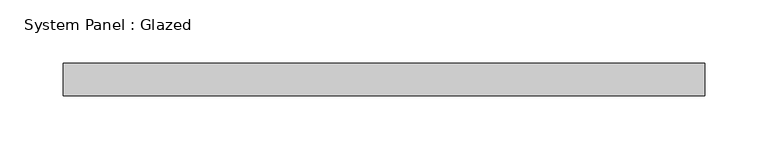
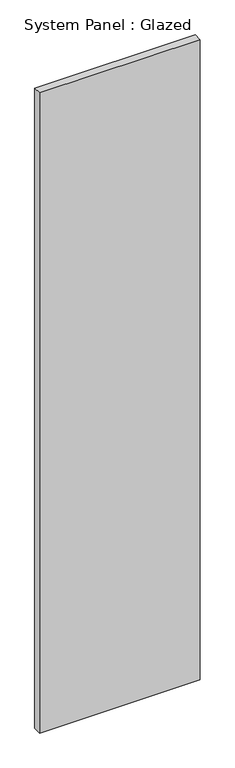
"""IFC4 building model written with IfcOpenShell, lengths in millimetres: plate geometry, System Panel : Glazed."""

from ifc_helpers import new_model, si_unit, origin, origin_with_axes, place, context, project, spatial, polyline, outline, extrude, source, transform, mapped, element, save


def system_panel_glazed_879dddc0(model_context):
    return source(origin(), model_context, "Body", "SweptSolid", [
        extrude(outline(polyline([(252.375, 19.05), (-252.375, 19.05), (-252.375, 44.45), (252.375, 44.45), (252.375, 19.05)])), origin_with_axes(), (0.0, 0.0, 1.0), 2124.75),
    ])


if __name__ == "__main__":
    model = new_model("IFC4")
    model_context = context("Model", 3, world=origin())
    ifc_project = project(units=[si_unit("LENGTHUNIT", "METRE", prefix="MILLI")], contexts=[model_context])
    site = spatial("IfcSite", under=ifc_project)
    building = spatial("IfcBuilding", under=site)
    placement = place(None, origin())
    system_panel_glazed_shape = system_panel_glazed_879dddc0(model_context)
    element("IfcPlate", 1, ObjectType="System Panel : Glazed", at=placement, inside=building, context=model_context, shape_type="MappedRepresentation", body=[
        mapped(system_panel_glazed_shape, transform((0.0, 0.0, 0.0), x_axis=(1.0, 0.0, 0.0), y_axis=(0.0, 1.0, 0.0), z_axis=(0.0, 0.0, 1.0))),
    ])
    save(model, "model.ifc")
